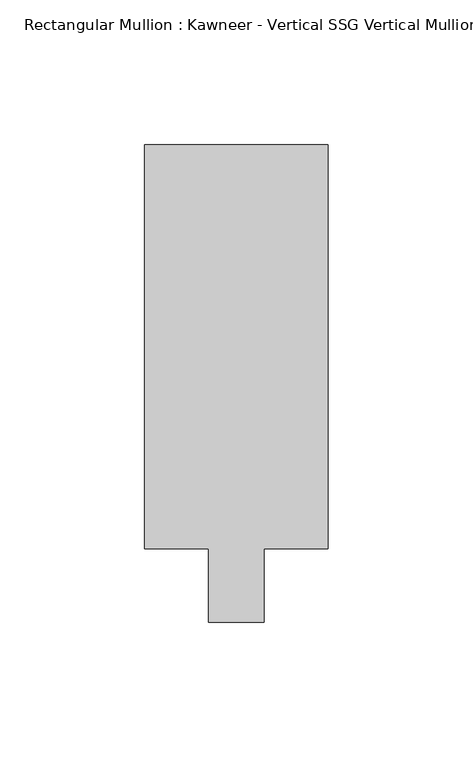
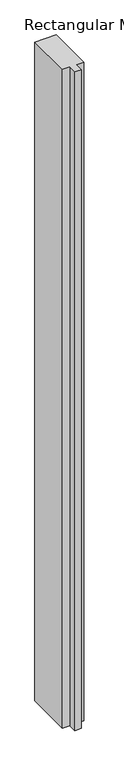
"""IFC4 building model written with IfcOpenShell, lengths in millimetres: member geometry."""

from ifc_helpers import new_model, si_unit, frame, origin, place, context, project, spatial, polyline, outline, extrude, source, transform, mapped, element, save


def member_a62ceba0(model_context):
    return source(origin(), model_context, "Body", "SweptSolid", [
        extrude(outline(polyline([(-31.75, 12.7), (-31.75, 152.399995), (31.75, 152.399995), (31.75, 12.7), (9.5251132, 12.7), (9.5251132, -12.7), (-9.5251132, -12.7), (-9.5251132, 12.7), (-31.75, 12.7)])), frame((0.0, 0.0, -2050.09299), z_axis=(0.0, 0.0, 1.0), x_axis=(1.0, 0.0, 0.0)), (0.0, 0.0, 1.0), 2050.09299),
    ])


if __name__ == "__main__":
    model = new_model("IFC4")
    model_context = context("Model", 3, world=origin())
    ifc_project = project(units=[si_unit("LENGTHUNIT", "METRE", prefix="MILLI")], contexts=[model_context])
    site = spatial("IfcSite", under=ifc_project)
    building = spatial("IfcBuilding", under=site)
    placement = place(None, origin())
    member_shape = member_a62ceba0(model_context)
    element("IfcMember", 1, ObjectType="Rectangular Mullion : Kawneer - Vertical SSG Vertical Mullion - 7 1/2\"", at=placement, inside=building, context=model_context, shape_type="MappedRepresentation", body=[
        mapped(member_shape, transform((0.0, 0.0, 0.0), x_axis=(1.0, 0.0, 0.0), y_axis=(0.0, 1.0, 0.0), z_axis=(0.0, 0.0, 1.0))),
    ])
    save(model, "model.ifc")
